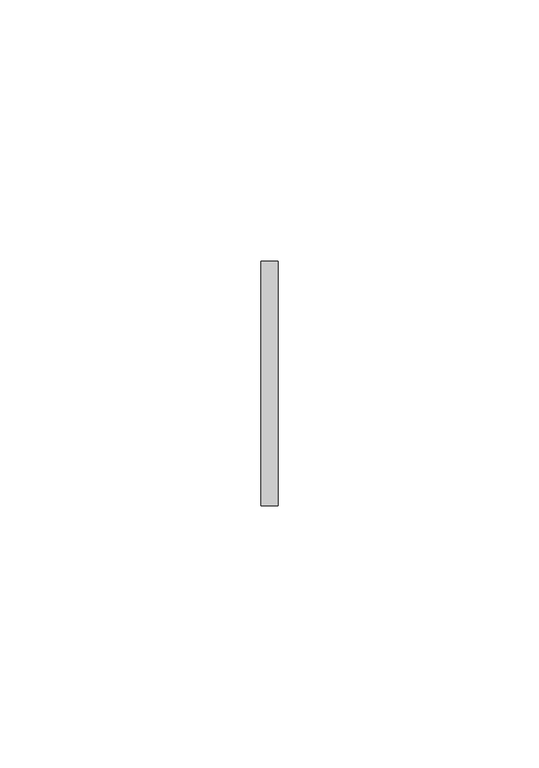
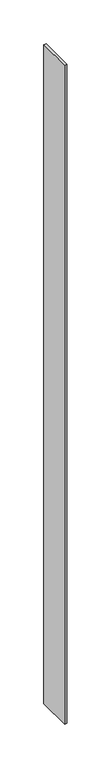
"""IFC4 building model written with IfcOpenShell, lengths in millimetres: proxy geometry."""

from ifc_helpers import new_model, si_unit, frame, origin, place, context, project, spatial, polyline, outline, extrude, source, transform, mapped, element, save


def generic_models_44ca5426(model_context):
    return source(origin(), model_context, "Body", "SweptSolid", [
        extrude(outline(polyline([(37071.1106084, -24201.6520439), (37067.9356084, -24201.6520439), (37067.9356084, -24154.9347357), (37071.1106084, -24154.9347357), (37071.1106084, -24201.6520439)])), frame((0.0, 0.0, 1524.0), z_axis=(0.0, 0.0, 1.0), x_axis=(1.0, 0.0, 0.0)), (0.0, 0.0, 1.0), 914.4),
    ])


if __name__ == "__main__":
    model = new_model("IFC4")
    model_context = context("Model", 3, world=origin())
    ifc_project = project(units=[si_unit("LENGTHUNIT", "METRE", prefix="MILLI")], contexts=[model_context])
    site = spatial("IfcSite", under=ifc_project)
    building = spatial("IfcBuilding", under=site)
    placement = place(None, origin())
    generic_models_shape = generic_models_44ca5426(model_context)
    element("IfcBuildingElementProxy", 1, Name="Generic Models", at=placement, inside=building, context=model_context, shape_type="MappedRepresentation", body=[
        mapped(generic_models_shape, transform((0.0, 0.0, 0.0), x_axis=(1.0, 0.0, 0.0), y_axis=(0.0, 1.0, 0.0), z_axis=(0.0, 0.0, 1.0))),
    ])
    save(model, "model.ifc")
